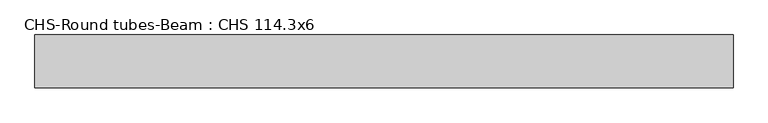
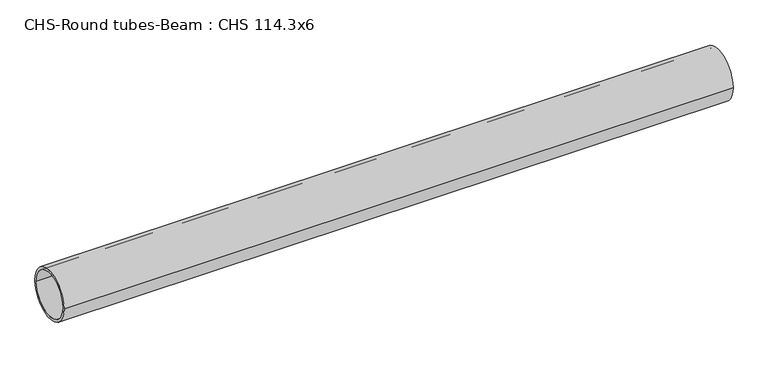
"""IFC4 building model written with IfcOpenShell, lengths in millimetres: beam geometry, CHS-Round tubes-Beam : CHS 114.3x6."""

from ifc_helpers import new_model, si_unit, point, frame, origin, origin_2d, place, context, project, spatial, circle_curve, trimmed, segment, composite_curve, outline, extrude, source, transform, mapped, element, save


def chs_round_tubes_beam_chs_114_3x6_711c6f6c(model_context):
    return source(origin(), model_context, "Body", "SweptSolid", [
        extrude(outline(composite_curve([segment(trimmed(circle_curve(origin_2d(), 57.15), [point((57.15, 0.0))], [point((-57.15, 0.0))], False, "CARTESIAN"), True, "CONTINUOUS"), segment(trimmed(circle_curve(origin_2d(), 57.15), [point((-57.15, 0.0))], [point((57.15, 0.0))], False, "CARTESIAN"), True, "CONTINUOUS")], self_intersect=False), holes=[composite_curve([segment(trimmed(circle_curve(origin_2d(), 51.15), [point((51.15, 0.0))], [point((-51.15, 0.0))], True, "CARTESIAN"), True, "CONTINUOUS"), segment(trimmed(circle_curve(origin_2d(), 51.15), [point((-51.15, 0.0))], [point((51.15, 0.0))], True, "CARTESIAN"), True, "CONTINUOUS")], self_intersect=False)]), frame((-768.6915932, 0.0, 0.0), z_axis=(1.0, 0.0, 0.0), x_axis=(0.0, 1.0, 0.0)), (0.0, 0.0, 1.0), 1510.2794579),
    ])


if __name__ == "__main__":
    model = new_model("IFC4")
    model_context = context("Model", 3, world=origin())
    ifc_project = project(units=[si_unit("LENGTHUNIT", "METRE", prefix="MILLI")], contexts=[model_context])
    site = spatial("IfcSite", under=ifc_project)
    building = spatial("IfcBuilding", under=site)
    placement = place(None, origin())
    chs_round_tubes_beam_chs_114_3x6_shape = chs_round_tubes_beam_chs_114_3x6_711c6f6c(model_context)
    element("IfcBeam", 1, ObjectType="CHS-Round tubes-Beam : CHS 114.3x6", at=placement, inside=building, context=model_context, shape_type="MappedRepresentation", body=[
        mapped(chs_round_tubes_beam_chs_114_3x6_shape, transform((0.0, 0.0, 0.0), x_axis=(1.0, 0.0, 0.0), y_axis=(0.0, 1.0, 0.0), z_axis=(0.0, 0.0, 1.0))),
    ])
    save(model, "model.ifc")
